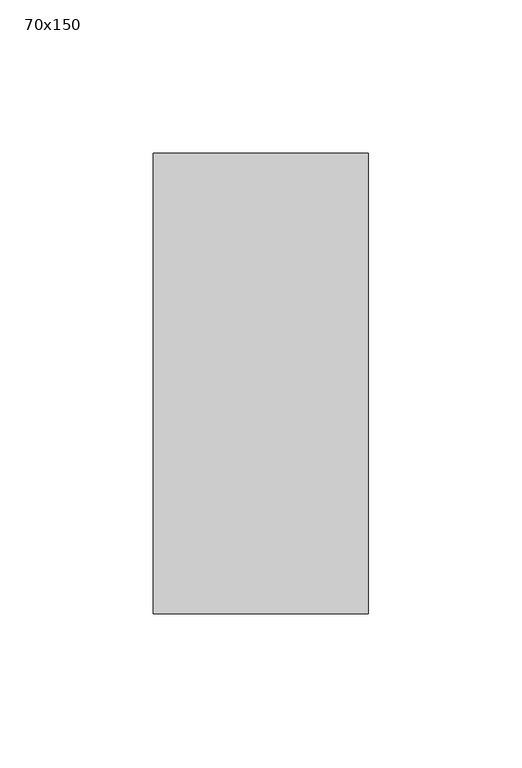
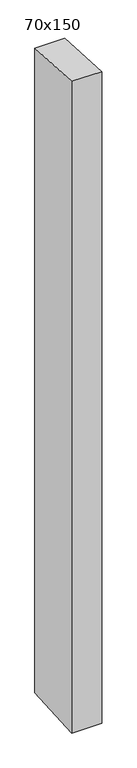
"""IFC4 building model written with IfcOpenShell, lengths in millimetres: member geometry, 70x150."""

from ifc_helpers import new_model, si_unit, frame, origin, place, context, project, spatial, polyline, outline, extrude, source, transform, mapped, element, save


def member_70x150_a74663a2(model_context):
    return source(origin(), model_context, "Body", "SweptSolid", [
        extrude(outline(polyline([(-75.0, 4.0523049), (75.0, -4.0523049), (75.0, -1603.1976309), (-75.0, -1612.6928166), (-75.0, 4.0523049)])), frame((-35.0, 0.0, 0.0), z_axis=(1.0, 0.0, 0.0), x_axis=(0.0, 1.0, 0.0)), (0.0, 0.0, 1.0), 70.0),
    ])


if __name__ == "__main__":
    model = new_model("IFC4")
    model_context = context("Model", 3, world=origin())
    ifc_project = project(units=[si_unit("LENGTHUNIT", "METRE", prefix="MILLI")], contexts=[model_context])
    site = spatial("IfcSite", under=ifc_project)
    building = spatial("IfcBuilding", under=site)
    placement = place(None, origin())
    member_70x150_shape = member_70x150_a74663a2(model_context)
    element("IfcMember", 1, ObjectType="70x150", at=placement, inside=building, context=model_context, shape_type="MappedRepresentation", body=[
        mapped(member_70x150_shape, transform((0.0, 0.0, 0.0), x_axis=(1.0, 0.0, 0.0), y_axis=(0.0, 1.0, 0.0), z_axis=(0.0, 0.0, 1.0))),
    ])
    save(model, "model.ifc")
